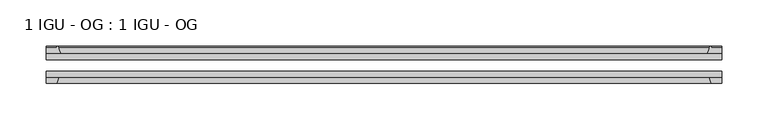
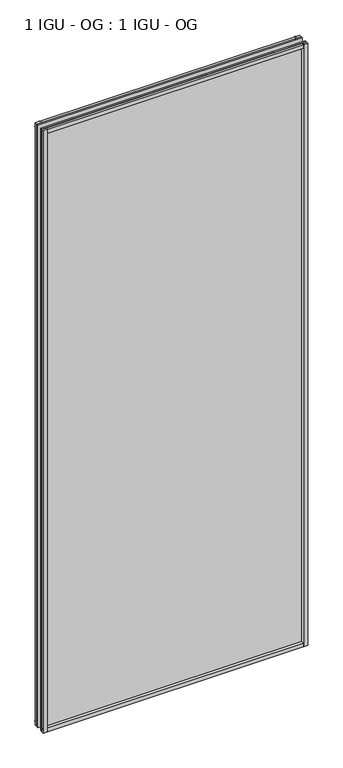
"""IFC4 building model written with IfcOpenShell, lengths in millimetres: plate geometry, 1 IGU - OG : 1 IGU - OG."""

from ifc_helpers import new_model, si_unit, point, frame, frame_2d, origin, place, context, project, spatial, polyline, circle_curve, trimmed, segment, composite_curve, outline, extrude, source, transform, mapped, element, save


def plate_1_igu_og_1_igu_og_4487b160(model_context):
    return source(origin(), model_context, "Body", "SweptSolid", [
        extrude(outline(polyline([(345.595062, -31.75), (345.595062, -38.1), (-383.695062, -38.1), (-383.695062, -31.75), (345.595062, -31.75)])), frame((0.0, 0.0, -11.1125), z_axis=(0.0, 0.0, 1.0), x_axis=(1.0, 0.0, 0.0)), (0.0, 0.0, 1.0), 1755.775),
        extrude(outline(polyline([(-383.695062, -12.7), (345.595062, -12.7), (345.595062, -19.05), (-383.695062, -19.05), (-383.695062, -12.7)])), frame((0.0, 0.0, -11.1125), z_axis=(0.0, 0.0, 1.0), x_axis=(1.0, 0.0, 0.0)), (0.0, 0.0, 1.0), 1755.775),
        extrude(outline(composite_curve([segment(polyline([(-368.3592711, -12.7), (-383.695062, -12.7), (-383.695062, -6.35), (-372.582562, -6.35), (-372.582562, -4.7751661), (-371.6531481, -4.7751661)]), True, "CONTINUOUS"), segment(trimmed(circle_curve(frame_2d((-371.6531481, -5.5371661)), 0.762), [point((-371.6531481, -4.7751661))], [point((-370.9109381, -5.364631))], False, "CARTESIAN"), True, "CONTINUOUS"), segment(trimmed(circle_curve(frame_2d((-335.2817199, 2.9177851)), 36.5792237), [point((-370.9109381, -5.364631))], [point((-368.3592711, -12.7))], True, "CARTESIAN"), True, "CONTINUOUS")], self_intersect=False)), frame((0.0, 0.0, -11.1125), z_axis=(0.0, 0.0, 1.0), x_axis=(1.0, 0.0, 0.0)), (0.0, 0.0, 1.0), 1755.775),
        extrude(outline(polyline([(-383.695062, -38.1), (-370.477285, -38.1), (-372.582562, -44.45), (-383.695062, -44.45), (-383.695062, -38.1)])), frame((0.0, 0.0, -11.1125), z_axis=(0.0, 0.0, 1.0), x_axis=(1.0, 0.0, 0.0)), (0.0, 0.0, 1.0), 1755.775),
        extrude(outline(composite_curve([segment(trimmed(circle_curve(frame_2d((333.5531481, -5.5371661)), 0.762), [point((332.8109381, -5.364631))], [point((333.5531481, -4.7751661))], False, "CARTESIAN"), True, "CONTINUOUS"), segment(polyline([(333.5531481, -4.7751661), (334.482562, -4.7751661), (334.482562, -6.35), (345.595062, -6.35), (345.595062, -12.7), (330.2592711, -12.7)]), True, "CONTINUOUS"), segment(trimmed(circle_curve(frame_2d((297.1817199, 2.9177851)), 36.5792237), [point((330.2592711, -12.7))], [point((332.8109381, -5.364631))], True, "CARTESIAN"), True, "CONTINUOUS")], self_intersect=False)), frame((0.0, 0.0, -11.1125), z_axis=(0.0, 0.0, 1.0), x_axis=(1.0, 0.0, 0.0)), (0.0, 0.0, 1.0), 1755.775),
        extrude(outline(polyline([(332.377285, -38.1), (345.595062, -38.1), (345.595062, -44.45), (334.482562, -44.45), (332.377285, -38.1)])), frame((0.0, 0.0, -11.1125), z_axis=(0.0, 0.0, 1.0), x_axis=(1.0, 0.0, 0.0)), (0.0, 0.0, 1.0), 1755.775),
        extrude(outline(composite_curve([segment(polyline([(-12.7, -11.1125), (-12.7, 4.2232909)]), True, "CONTINUOUS"), segment(trimmed(circle_curve(frame_2d((2.9177851, 37.3008421)), 36.5792237), [point((-12.7, 4.2232909))], [point((-5.364631, 1.6716239))], True, "CARTESIAN"), True, "CONTINUOUS"), segment(trimmed(circle_curve(frame_2d((-5.5371661, 0.929414)), 0.762), [point((-5.364631, 1.6716239))], [point((-4.7751661, 0.929414))], False, "CARTESIAN"), True, "CONTINUOUS"), segment(polyline([(-4.7751661, 0.929414), (-4.7751661, 0.0), (-6.35, 0.0), (-6.35, -11.1125), (-12.7, -11.1125)]), True, "CONTINUOUS")], self_intersect=False)), frame((-383.695062, 0.0, 0.0), z_axis=(1.0, 0.0, 0.0), x_axis=(0.0, 1.0, 0.0)), (0.0, 0.0, 1.0), 729.2901241),
        extrude(outline(polyline([(-38.1, 2.1052771), (-38.1, -11.1125), (-44.45, -11.1125), (-44.45, 0.0), (-38.1, 2.1052771)])), frame((-383.695062, 0.0, 0.0), z_axis=(1.0, 0.0, 0.0), x_axis=(0.0, 1.0, 0.0)), (0.0, 0.0, 1.0), 729.2901241),
        extrude(outline(composite_curve([segment(trimmed(circle_curve(frame_2d((2.9177851, 1696.2491579)), 36.5792237), [point((-5.364631, 1731.8783761))], [point((-12.7, 1729.3267091))], True, "CARTESIAN"), True, "CONTINUOUS"), segment(polyline([(-12.7, 1729.3267091), (-12.7, 1744.6625), (-6.35, 1744.6625), (-6.35, 1733.55), (-4.7751661, 1733.55), (-4.7751661, 1732.620586)]), True, "CONTINUOUS"), segment(trimmed(circle_curve(frame_2d((-5.5371661, 1732.620586)), 0.762), [point((-4.7751661, 1732.620586))], [point((-5.364631, 1731.8783761))], False, "CARTESIAN"), True, "CONTINUOUS")], self_intersect=False)), frame((-383.695062, 0.0, 0.0), z_axis=(1.0, 0.0, 0.0), x_axis=(0.0, 1.0, 0.0)), (0.0, 0.0, 1.0), 729.2901241),
        extrude(outline(polyline([(-38.1, 1744.6625), (-38.1, 1731.4447229), (-44.45, 1733.55), (-44.45, 1744.6625), (-38.1, 1744.6625)])), frame((-383.695062, 0.0, 0.0), z_axis=(1.0, 0.0, 0.0), x_axis=(0.0, 1.0, 0.0)), (0.0, 0.0, 1.0), 729.2901241),
    ])


if __name__ == "__main__":
    model = new_model("IFC4")
    model_context = context("Model", 3, world=origin())
    ifc_project = project(units=[si_unit("LENGTHUNIT", "METRE", prefix="MILLI")], contexts=[model_context])
    site = spatial("IfcSite", under=ifc_project)
    building = spatial("IfcBuilding", under=site)
    placement = place(None, origin())
    plate_1_igu_og_1_igu_og_shape = plate_1_igu_og_1_igu_og_4487b160(model_context)
    element("IfcPlate", 1, ObjectType="1 IGU - OG : 1 IGU - OG", at=placement, inside=building, context=model_context, shape_type="MappedRepresentation", body=[
        mapped(plate_1_igu_og_1_igu_og_shape, transform((0.0, 0.0, 0.0), x_axis=(1.0, 0.0, 0.0), y_axis=(0.0, 1.0, 0.0), z_axis=(0.0, 0.0, 1.0))),
    ])
    save(model, "model.ifc")
